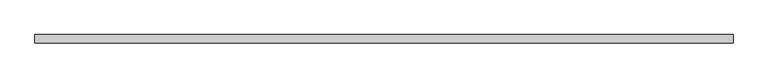
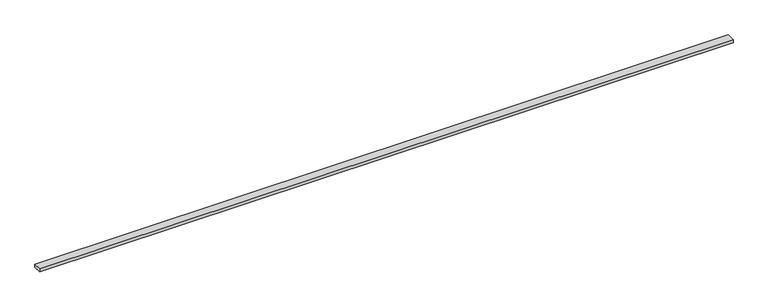
"""IFC4 building model written with IfcOpenShell, lengths in millimetres: beam geometry."""

from ifc_helpers import new_model, si_unit, frame, origin, place, context, project, spatial, polyline, outline, extrude, source, transform, mapped, element, save


def beam_8fbc84a4(model_context):
    return source(origin(), model_context, "Body", "SweptSolid", [
        extrude(outline(polyline([(2892.0, -35.0), (-2892.0, -35.0), (-2892.0, 35.0), (2892.0, 35.0), (2892.0, -35.0)])), frame((0.0, 0.0, -14.0), z_axis=(0.0, 0.0, 1.0), x_axis=(1.0, 0.0, 0.0)), (0.0, 0.0, 1.0), 28.0),
    ])


if __name__ == "__main__":
    model = new_model("IFC4")
    model_context = context("Model", 3, world=origin())
    ifc_project = project(units=[si_unit("LENGTHUNIT", "METRE", prefix="MILLI")], contexts=[model_context])
    site = spatial("IfcSite", under=ifc_project)
    building = spatial("IfcBuilding", under=site)
    placement = place(None, origin())
    beam_shape = beam_8fbc84a4(model_context)
    element("IfcBeam", 1, at=placement, inside=building, context=model_context, shape_type="MappedRepresentation", body=[
        mapped(beam_shape, transform((0.0, 0.0, 0.0), x_axis=(1.0, 0.0, 0.0), y_axis=(0.0, 1.0, 0.0), z_axis=(0.0, 0.0, 1.0))),
    ])
    save(model, "model.ifc")
